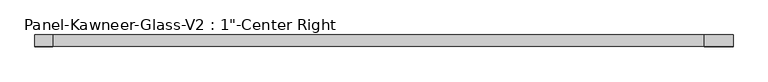
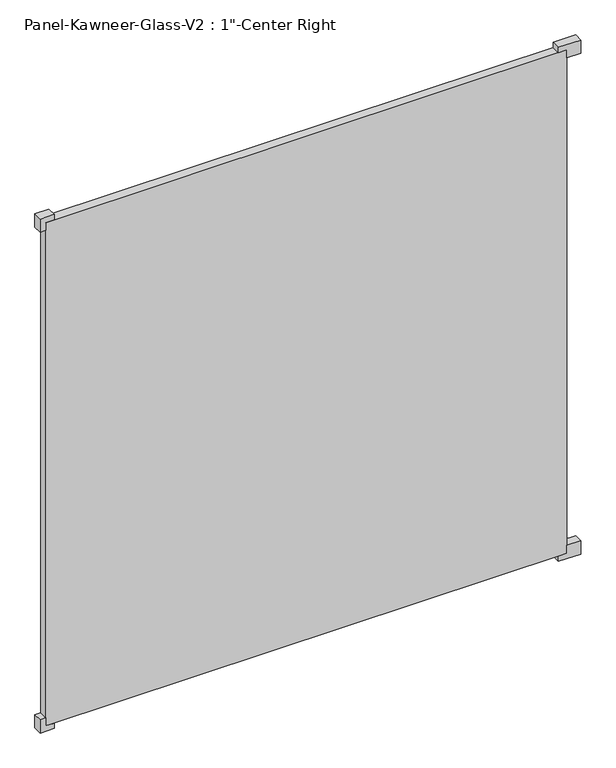
"""IFC4 building model written with IfcOpenShell, lengths in millimetres: plate geometry."""

from ifc_helpers import new_model, si_unit, frame, origin, origin_with_axes, place, context, project, spatial, polyline, outline, extrude, source, transform, mapped, element, save


def plate_d3679e99(model_context):
    return source(origin(), model_context, "Body", "SweptSolid", [
        extrude(outline(polyline([(-15.875, 714.375), (-15.875, 777.875), (23.8125, 777.875), (23.8125, 738.1875), (0.0, 738.1875), (0.0, 714.375), (-15.875, 714.375)])), frame((0.0, -12.7327949, 0.0), z_axis=(0.0, 1.0, 0.0), x_axis=(0.0, 0.0, 1.0)), (0.0, 0.0, 1.0), 25.4),
        extrude(outline(polyline([(-15.875, -714.375), (0.0, -714.375), (0.0, -738.1875), (23.8125, -738.1875), (23.8125, -754.0625), (-15.875, -754.0625), (-15.875, -714.375)])), frame((0.0, -12.7327949, 0.0), z_axis=(0.0, 1.0, 0.0), x_axis=(0.0, 0.0, 1.0)), (0.0, 0.0, 1.0), 25.4),
        extrude(outline(polyline([(1524.0, 714.375), (1508.125, 714.375), (1508.125, 738.1875), (1484.3125, 738.1875), (1484.3125, 777.875), (1524.0, 777.875), (1524.0, 714.375)])), frame((0.0, -12.7327949, 0.0), z_axis=(0.0, 1.0, 0.0), x_axis=(0.0, 0.0, 1.0)), (0.0, 0.0, 1.0), 25.4),
        extrude(outline(polyline([(1524.0, -714.375), (1524.0, -754.0625), (1484.3125, -754.0625), (1484.3125, -738.1875), (1508.125, -738.1875), (1508.125, -714.375), (1524.0, -714.375)])), frame((0.0, -12.7327949, 0.0), z_axis=(0.0, 1.0, 0.0), x_axis=(0.0, 0.0, 1.0)), (0.0, 0.0, 1.0), 25.4),
        extrude(outline(polyline([(738.1875, 12.6672051), (738.1875, -12.7327949), (-738.1875, -12.7327949), (-738.1875, 12.6672051), (738.1875, 12.6672051)])), origin_with_axes(), (0.0, 0.0, 1.0), 1508.125),
    ])


if __name__ == "__main__":
    model = new_model("IFC4")
    model_context = context("Model", 3, world=origin())
    ifc_project = project(units=[si_unit("LENGTHUNIT", "METRE", prefix="MILLI")], contexts=[model_context])
    site = spatial("IfcSite", under=ifc_project)
    building = spatial("IfcBuilding", under=site)
    placement = place(None, origin())
    plate_shape = plate_d3679e99(model_context)
    element("IfcPlate", 1, ObjectType="Panel-Kawneer-Glass-V2 : 1\"-Center Right", at=placement, inside=building, context=model_context, shape_type="MappedRepresentation", body=[
        mapped(plate_shape, transform((0.0, 0.0, 0.0), x_axis=(1.0, 0.0, 0.0), y_axis=(0.0, 1.0, 0.0), z_axis=(0.0, 0.0, 1.0))),
    ])
    save(model, "model.ifc")
